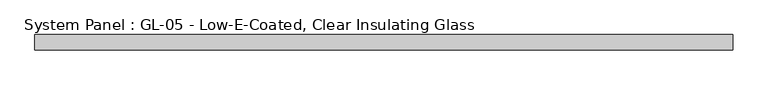
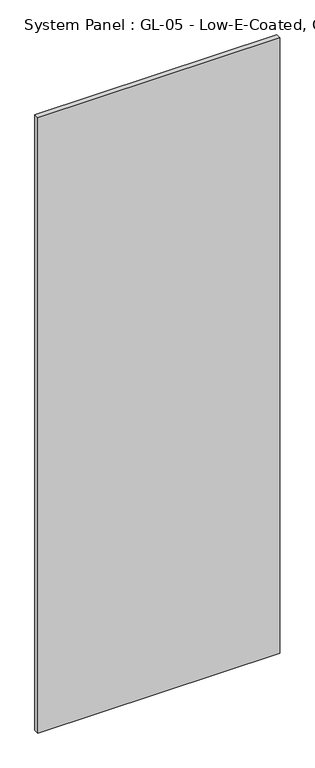
"""IFC4 building model written with IfcOpenShell, lengths in millimetres: plate geometry, System Panel : GL-05 - Low-E-Coated, Clear Insulating Glass."""

from ifc_helpers import new_model, si_unit, origin, origin_with_axes, place, context, project, spatial, polyline, outline, extrude, source, transform, mapped, element, save


def system_panel_gl_05_low_e_coated_clear_insulating_glass_6d5fd571(model_context):
    return source(origin(), model_context, "Body", "SweptSolid", [
        extrude(outline(polyline([(584.2, -12.7), (-584.2, -12.7), (-584.2, 12.7), (584.2, 12.7), (584.2, -12.7)])), origin_with_axes(), (0.0, 0.0, 1.0), 3143.25),
    ])


if __name__ == "__main__":
    model = new_model("IFC4")
    model_context = context("Model", 3, world=origin())
    ifc_project = project(units=[si_unit("LENGTHUNIT", "METRE", prefix="MILLI")], contexts=[model_context])
    site = spatial("IfcSite", under=ifc_project)
    building = spatial("IfcBuilding", under=site)
    placement = place(None, origin())
    system_panel_gl_05_low_e_coated_clear_insulating_glass_shape = system_panel_gl_05_low_e_coated_clear_insulating_glass_6d5fd571(model_context)
    element("IfcPlate", 1, ObjectType="System Panel : GL-05 - Low-E-Coated, Clear Insulating Glass", at=placement, inside=building, context=model_context, shape_type="MappedRepresentation", body=[
        mapped(system_panel_gl_05_low_e_coated_clear_insulating_glass_shape, transform((0.0, 0.0, 0.0), x_axis=(1.0, 0.0, 0.0), y_axis=(0.0, 1.0, 0.0), z_axis=(0.0, 0.0, 1.0))),
    ])
    save(model, "model.ifc")
